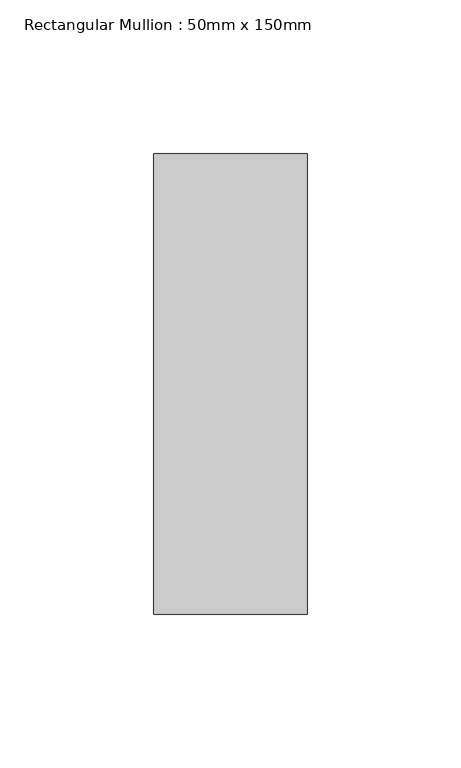
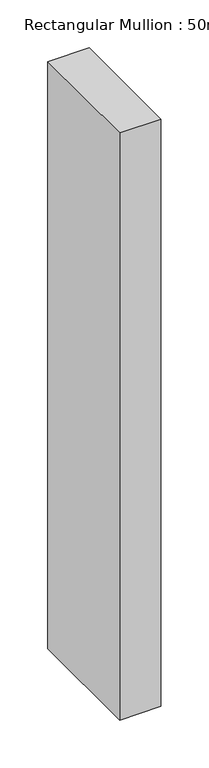
"""IFC4 building model written with IfcOpenShell, lengths in millimetres: member geometry, Rectangular Mullion : 50mm x 150mm."""

from ifc_helpers import new_model, si_unit, frame, origin, place, context, project, spatial, polyline, outline, extrude, source, transform, mapped, element, save


def rectangular_mullion_50mm_x_150mm_0d3281e4(model_context):
    return source(origin(), model_context, "Body", "SweptSolid", [
        extrude(outline(polyline([(0.0, 75.0), (0.0, -75.0), (-50.0, -75.0), (-50.0, 75.0), (0.0, 75.0)])), frame((0.0, 0.0, -750.0), z_axis=(0.0, 0.0, 1.0), x_axis=(1.0, 0.0, 0.0)), (0.0, 0.0, 1.0), 750.0),
    ])


if __name__ == "__main__":
    model = new_model("IFC4")
    model_context = context("Model", 3, world=origin())
    ifc_project = project(units=[si_unit("LENGTHUNIT", "METRE", prefix="MILLI")], contexts=[model_context])
    site = spatial("IfcSite", under=ifc_project)
    building = spatial("IfcBuilding", under=site)
    placement = place(None, origin())
    rectangular_mullion_50mm_x_150mm_shape = rectangular_mullion_50mm_x_150mm_0d3281e4(model_context)
    element("IfcMember", 1, ObjectType="Rectangular Mullion : 50mm x 150mm", at=placement, inside=building, context=model_context, shape_type="MappedRepresentation", body=[
        mapped(rectangular_mullion_50mm_x_150mm_shape, transform((0.0, 0.0, 0.0), x_axis=(1.0, 0.0, 0.0), y_axis=(0.0, 1.0, 0.0), z_axis=(0.0, 0.0, 1.0))),
    ])
    save(model, "model.ifc")
